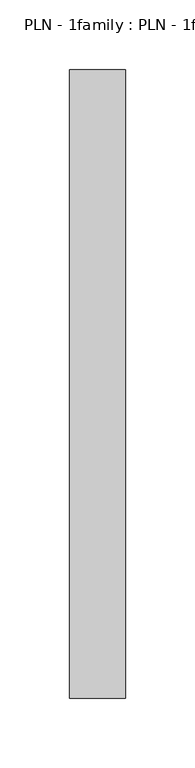
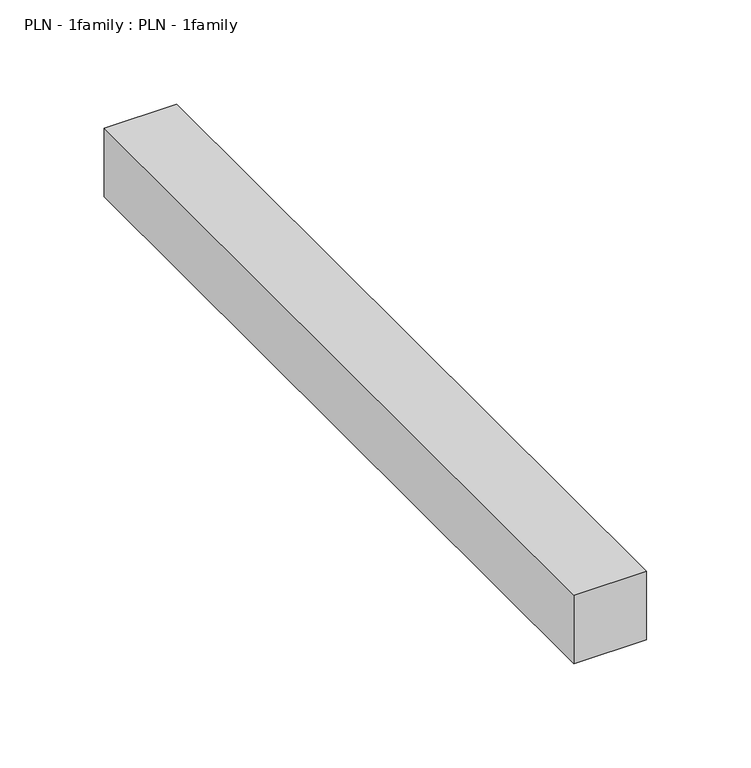
"""IFC4 building model written with IfcOpenShell, lengths in millimetres: proxy geometry, PLN - 1family : PLN - 1family."""

from ifc_helpers import new_model, si_unit, frame, origin, place, context, project, spatial, polyline, outline, extrude, source, transform, mapped, element, save


def pln_1family_pln_1family_d52b545e(model_context):
    return source(origin(), model_context, "Body", "SweptSolid", [
        extrude(outline(polyline([(0.0, -450.0), (0.0, 0.0), (40.0, 0.0), (40.0, -450.0), (0.0, -450.0)])), frame((0.0, 0.0, 400.0), z_axis=(0.0, 0.0, 1.0), x_axis=(1.0, 0.0, 0.0)), (0.0, 0.0, 1.0), 40.0),
    ])


if __name__ == "__main__":
    model = new_model("IFC4")
    model_context = context("Model", 3, world=origin())
    ifc_project = project(units=[si_unit("LENGTHUNIT", "METRE", prefix="MILLI")], contexts=[model_context])
    site = spatial("IfcSite", under=ifc_project)
    building = spatial("IfcBuilding", under=site)
    placement = place(None, origin())
    pln_1family_pln_1family_shape = pln_1family_pln_1family_d52b545e(model_context)
    element("IfcBuildingElementProxy", 1, Name="PLN - 1family : PLN - 1family", ObjectType="PLN - 1family : PLN - 1family", at=placement, inside=building, context=model_context, shape_type="MappedRepresentation", body=[
        mapped(pln_1family_pln_1family_shape, transform((0.0, 0.0, 0.0), x_axis=(1.0, 0.0, 0.0), y_axis=(0.0, 1.0, 0.0), z_axis=(0.0, 0.0, 1.0))),
    ])
    save(model, "model.ifc")
